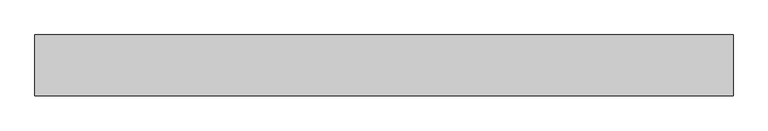
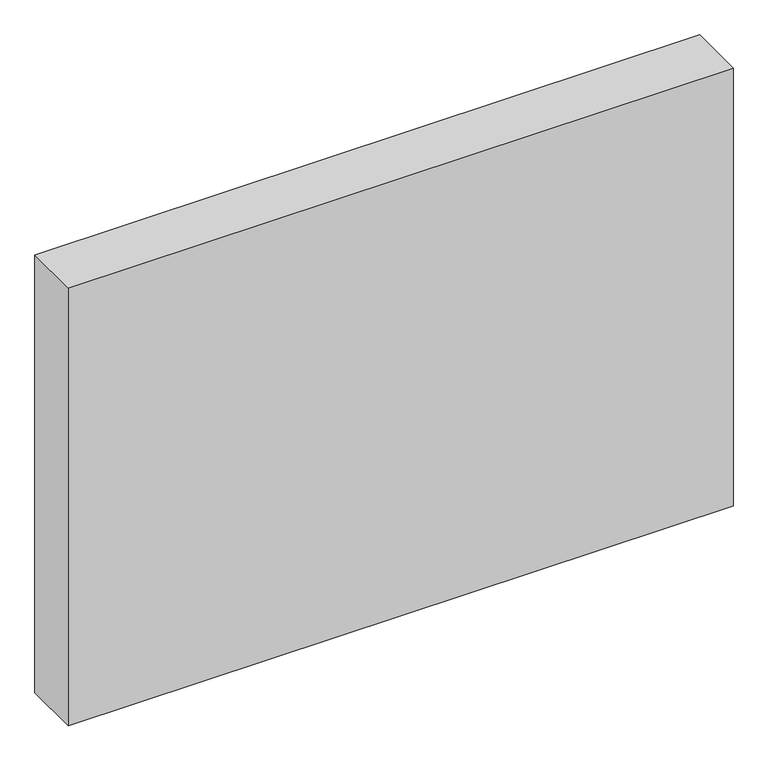
"""IFC4 building model written with IfcOpenShell, lengths in millimetres: proxy geometry."""

from ifc_helpers import new_model, si_unit, origin, origin_with_axes, place, context, project, spatial, polyline, outline, extrude, source, transform, mapped, element, save


def generic_models_113c76d9(model_context):
    return source(origin(), model_context, "Body", "SweptSolid", [
        extrude(outline(polyline([(0.0, 100.0), (0.0, 0.0), (-1147.8862228, 0.0), (-1147.8862228, 100.0), (0.0, 100.0)])), origin_with_axes(), (0.0, 0.0, 1.0), 800.0),
    ])


if __name__ == "__main__":
    model = new_model("IFC4")
    model_context = context("Model", 3, world=origin())
    ifc_project = project(units=[si_unit("LENGTHUNIT", "METRE", prefix="MILLI")], contexts=[model_context])
    site = spatial("IfcSite", under=ifc_project)
    building = spatial("IfcBuilding", under=site)
    placement = place(None, origin())
    generic_models_shape = generic_models_113c76d9(model_context)
    element("IfcBuildingElementProxy", 1, Name="Generic Models", at=placement, inside=building, context=model_context, shape_type="MappedRepresentation", body=[
        mapped(generic_models_shape, transform((0.0, 0.0, 0.0), x_axis=(1.0, 0.0, 0.0), y_axis=(0.0, 1.0, 0.0), z_axis=(0.0, 0.0, 1.0))),
    ])
    save(model, "model.ifc")
